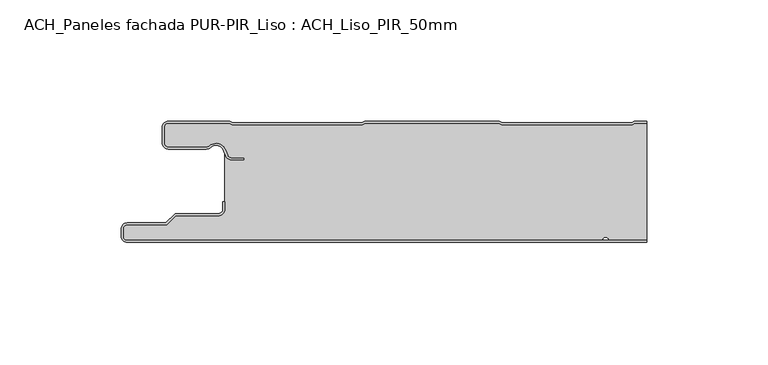
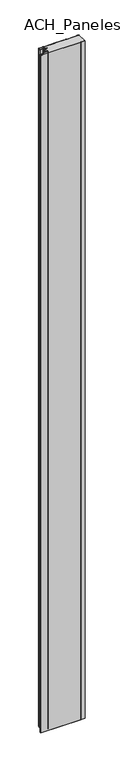
"""IFC4 building model written with IfcOpenShell, lengths in millimetres: plate geometry, ACH_Paneles fachada PUR-PIR_Liso : ACH_Liso_PIR_50mm."""

import ifcopenshell
import ifcopenshell.guid

model = None  # the IFC model being written
_history = None  # IfcOwnerHistory: only IFC2X3 demands one
_inside = {}  # id of a spatial element -> (the spatial element, [elements in it])
_under = {}  # id of a project, library or spatial element -> (it, [spatial elements below it])
_declared = {}  # id of a project -> (the project, [libraries it declares])
_typed = {}  # id of a type object -> (the type object, [elements of that type])
_made_of = {}  # id of a material, layer set ... -> (it, [elements and type objects made of it])


def new_model(schema):
    """Start an empty IFC model of exactly this schema.

    Asked for "IFC4X3", IfcOpenShell would pick the latest addendum, in which some entities
    have other attributes; the version numbers below select the first issue.
    IFC2X3 requires an IfcOwnerHistory on every rooted entity: one is made here for all.
    """
    global model, _history
    if schema == "IFC4X3":
        model = ifcopenshell.file(schema_version=(4, 3, 0, 0))
    else:
        model = ifcopenshell.file(schema=schema)
    _inside.clear()
    _under.clear()
    _declared.clear()
    _typed.clear()
    _made_of.clear()
    _history = None
    if model.schema == "IFC2X3":
        org = make("IfcOrganization", Name="unknown")
        user = make(
            "IfcPersonAndOrganization",
            ThePerson=make("IfcPerson", FamilyName="unknown"),
            TheOrganization=org,
        )
        app = make(
            "IfcApplication",
            ApplicationDeveloper=org,
            Version="unknown",
            ApplicationFullName="unknown",
            ApplicationIdentifier="unknown",
        )
        _history = make(
            "IfcOwnerHistory",
            OwningUser=user,
            OwningApplication=app,
            ChangeAction="ADDED",
            CreationDate=0,
        )
    return model


def make(cls, **values):
    """One entity of the class cls with the attributes given. An attribute that is None is left unset."""
    return model.create_entity(
        cls, **{name: value for name, value in values.items() if value is not None}
    )


def rooted(cls, **values):
    """An entity with a GlobalId (a new one), such as an element, a storey or a relation."""
    return make(cls, GlobalId=ifcopenshell.guid.new(), OwnerHistory=_history, **values)


def si_unit(unit_type, name, prefix=None):
    """IfcSIUnit, for example si_unit("LENGTHUNIT", "METRE", prefix="MILLI")."""
    return make("IfcSIUnit", UnitType=unit_type, Prefix=prefix, Name=name)


def assignment(units):
    """IfcUnitAssignment: the units of a project."""
    return None if units is None else make("IfcUnitAssignment", Units=units)


def point(xyz):
    """IfcCartesianPoint."""
    return None if xyz is None else make("IfcCartesianPoint", Coordinates=xyz)


def direction(xyz):
    """IfcDirection."""
    return None if xyz is None else make("IfcDirection", DirectionRatios=xyz)


def frame(location, z_axis=None, x_axis=None):
    """IfcAxis2Placement3D, a coordinate frame: its origin and axes. An axis left out is left unset."""
    return make(
        "IfcAxis2Placement3D",
        Location=point(location),
        Axis=direction(z_axis),
        RefDirection=direction(x_axis),
    )


def frame_2d(location, x_axis=None):
    """IfcAxis2Placement2D, a coordinate frame in the plane: its origin and x axis."""
    return make(
        "IfcAxis2Placement2D", Location=point(location), RefDirection=direction(x_axis)
    )


def origin():
    """The frame at (0, 0, 0) with its axes left unset."""
    return frame((0.0, 0.0, 0.0))


def origin_with_axes():
    """The frame at (0, 0, 0) with the z axis (0, 0, 1) and the x axis (1, 0, 0) written out."""
    return frame((0.0, 0.0, 0.0), z_axis=(0.0, 0.0, 1.0), x_axis=(1.0, 0.0, 0.0))


def place(relative_to, where):
    """IfcLocalPlacement: puts the frame where relative to a parent placement (None: the world)."""
    return make(
        "IfcLocalPlacement", PlacementRelTo=relative_to, RelativePlacement=where
    )


def context(
    kind, dimensions, precision=None, world=None, true_north=None, identifier=None
):
    """IfcGeometricRepresentationContext, for example the 3D "Model" context."""
    return make(
        "IfcGeometricRepresentationContext",
        ContextIdentifier=identifier,
        ContextType=kind,
        CoordinateSpaceDimension=dimensions,
        Precision=precision,
        WorldCoordinateSystem=world,
        TrueNorth=true_north,
    )


def project(units=None, contexts=None):
    """IfcProject with its units and contexts."""
    return rooted(
        "IfcProject",
        Name="project",
        RepresentationContexts=contexts,
        UnitsInContext=assignment(units),
    )


def spatial(cls, under=None, at=None, **own):
    """A site, building, storey or space (cls), placed at a placement, below another one or the project."""
    s = rooted(cls, ObjectPlacement=at, **own)
    if under is not None:
        _under.setdefault(under.id(), (under, []))[1].append(s)
    return s


def polyline(points):
    """IfcPolyline through the points."""
    return make("IfcPolyline", Points=[point(p) for p in points])


def circle_curve(where, radius):
    """IfcCircle in the frame where."""
    return make("IfcCircle", Position=where, Radius=radius)


def trimmed(basis, trim1, trim2, sense, master):
    """IfcTrimmedCurve: the piece of a basis curve between two trims."""
    return make(
        "IfcTrimmedCurve",
        BasisCurve=basis,
        Trim1=trim1,
        Trim2=trim2,
        SenseAgreement=sense,
        MasterRepresentation=master,
    )


def segment(curve, same_sense, transition):
    """IfcCompositeCurveSegment."""
    return make(
        "IfcCompositeCurveSegment",
        Transition=transition,
        SameSense=same_sense,
        ParentCurve=curve,
    )


def composite_curve(segments, self_intersect=None):
    """IfcCompositeCurve: segments joined end to end."""
    return make("IfcCompositeCurve", Segments=segments, SelfIntersect=self_intersect)


def outline(outer, holes=None, kind="AREA"):
    """IfcArbitraryClosedProfileDef: a profile drawn as a closed curve; with holes, ...WithVoids."""
    if holes is None:
        return make("IfcArbitraryClosedProfileDef", ProfileType=kind, OuterCurve=outer)
    return make(
        "IfcArbitraryProfileDefWithVoids",
        ProfileType=kind,
        OuterCurve=outer,
        InnerCurves=holes,
    )


def extrude(swept, where, along, depth):
    """IfcExtrudedAreaSolid: the profile swept, set in the frame where, extruded along a direction by depth."""
    return make(
        "IfcExtrudedAreaSolid",
        SweptArea=swept,
        Position=where,
        ExtrudedDirection=direction(along),
        Depth=depth,
    )


def shape(context_of_items, identifier, shape_type, items):
    """IfcShapeRepresentation: the items that make up one representation, for example the "Body"."""
    return make(
        "IfcShapeRepresentation",
        ContextOfItems=context_of_items,
        RepresentationIdentifier=identifier,
        RepresentationType=shape_type,
        Items=items,
    )


def source(mapping_origin, context_of_items, identifier, shape_type, items):
    """IfcRepresentationMap: a shape defined once, which mapped items show again and again."""
    return make(
        "IfcRepresentationMap",
        MappingOrigin=mapping_origin,
        MappedRepresentation=shape(context_of_items, identifier, shape_type, items),
    )


def transform(
    local_origin,
    x_axis=None,
    y_axis=None,
    z_axis=None,
    scale=None,
    scale2=None,
    scale3=None,
    uniform=True,
):
    """IfcCartesianTransformationOperator3D, or its non-uniform kind. x_axis, y_axis, z_axis: its Axis1, 2, 3."""
    if uniform:
        return make(
            "IfcCartesianTransformationOperator3D",
            Axis1=direction(x_axis),
            Axis2=direction(y_axis),
            LocalOrigin=point(local_origin),
            Scale=scale,
            Axis3=direction(z_axis),
        )
    return make(
        "IfcCartesianTransformationOperator3DnonUniform",
        Axis1=direction(x_axis),
        Axis2=direction(y_axis),
        LocalOrigin=point(local_origin),
        Scale=scale,
        Axis3=direction(z_axis),
        Scale2=scale2,
        Scale3=scale3,
    )


def mapped(mapping_source, mapping_target):
    """IfcMappedItem: shows the shape of a source again, moved by a transform."""
    return make(
        "IfcMappedItem", MappingSource=mapping_source, MappingTarget=mapping_target
    )


def made_of(thing, what):
    """Note that an element or type object is made of a material, layer set ...; save() writes the relation."""
    if what is not None:
        _made_of.setdefault(what.id(), (what, []))[1].append(thing)
    return thing


def element(
    cls,
    number,
    at=None,
    inside=None,
    cuts=None,
    type_object=None,
    material=None,
    context=None,
    identifier="Body",
    shape_type=None,
    held_by="IfcProductDefinitionShape",
    body=None,
    shapes=None,
    **own,
):
    """One element of the class cls, such as IfcWall. Its Tag is "e" and its number.

    at: its placement. inside: the storey or other place that contains it. cuts: it is an
    opening in that element (IfcRelVoidsElement). A single representation is given by context,
    identifier, shape_type and body (its items); several are given by shapes. held_by: the class
    of the entity that holds the representations. save() writes the other relations.
    """
    e = rooted(cls, Tag="e%d" % number, ObjectPlacement=at, **own)
    if body is not None:
        shapes = [shape(context, identifier, shape_type, body)]
    if shapes is not None:
        e.Representation = make(held_by, Representations=shapes)
    if inside is not None:
        _inside.setdefault(inside.id(), (inside, []))[1].append(e)
    if cuts is not None:
        rooted(
            "IfcRelVoidsElement", RelatingBuildingElement=cuts, RelatedOpeningElement=e
        )
    if type_object is not None:
        _typed.setdefault(type_object.id(), (type_object, []))[1].append(e)
    return made_of(e, material)


def aggregate(whole, parts):
    """IfcRelAggregates: a whole, such as a stair, and the parts it consists of."""
    return rooted("IfcRelAggregates", RelatingObject=whole, RelatedObjects=parts)


def save(model, path):
    """Write the relations noted so far, then the file.

    IfcRelAggregates (storeys below a building ...), IfcRelContainedInSpatialStructure (elements
    in a storey), IfcRelDefinesByType, IfcRelAssociatesMaterial and IfcRelDeclares: one each for
    every whole, place, type object, material and project.
    """
    for whole, parts in _under.values():
        aggregate(whole, parts)
    for where, things in _inside.values():
        rooted(
            "IfcRelContainedInSpatialStructure",
            RelatedElements=things,
            RelatingStructure=where,
        )
    for kind, things in _typed.values():
        rooted("IfcRelDefinesByType", RelatedObjects=things, RelatingType=kind)
    for what, things in _made_of.values():
        rooted("IfcRelAssociatesMaterial", RelatedObjects=things, RelatingMaterial=what)
    for by, libraries in _declared.values():
        rooted("IfcRelDeclares", RelatingContext=by, RelatedDefinitions=libraries)
    model.write(path)


def ach_paneles_fachada_pur_pir_liso_ach_liso_pir_50mm_6371c18e(model_context):
    return source(origin(), model_context, "Body", "SweptSolid", [
        extrude(outline(composite_curve([segment(trimmed(circle_curve(frame_2d((-114.5, -47.5)), 2.5), [point((-114.5, -50.0))], [point((-117.0, -47.5))], False, "CARTESIAN"), True, "CONTINUOUS"), segment(polyline([(-117.0, -47.5), (-117.0, -44.5)]), True, "CONTINUOUS"), segment(trimmed(circle_curve(frame_2d((-114.5, -44.5)), 2.5), [point((-117.0, -44.5))], [point((-114.5, -42.0))], False, "CARTESIAN"), True, "CONTINUOUS"), segment(polyline([(-114.5, -42.0), (-98.5, -42.0), (-94.75, -38.25), (-77.0, -38.25)]), True, "CONTINUOUS"), segment(trimmed(circle_curve(frame_2d((-77.0, -36.25)), 2.0), [point((-77.0, -38.25))], [point((-75.0, -36.25))], True, "CARTESIAN"), True, "CONTINUOUS"), segment(polyline([(-75.0, -36.25), (-75.0, -33.25), (-74.2, -33.25), (-74.2, -36.25)]), True, "CONTINUOUS"), segment(trimmed(circle_curve(frame_2d((-77.0, -36.25)), 2.8), [point((-74.2, -36.25))], [point((-77.0, -39.05))], False, "CARTESIAN"), True, "CONTINUOUS"), segment(polyline([(-77.0, -39.05), (-94.4186292, -39.05), (-98.1686292, -42.8), (-114.5, -42.8)]), True, "CONTINUOUS"), segment(trimmed(circle_curve(frame_2d((-114.5, -44.5)), 1.7), [point((-114.5, -42.8))], [point((-116.2, -44.5))], True, "CARTESIAN"), True, "CONTINUOUS"), segment(polyline([(-116.2, -44.5), (-116.2, -47.5)]), True, "CONTINUOUS"), segment(trimmed(circle_curve(frame_2d((-114.5, -47.5)), 1.7), [point((-116.2, -47.5))], [point((-114.5, -49.2))], True, "CARTESIAN"), True, "CONTINUOUS"), segment(polyline([(-114.5, -49.2), (100.0, -49.2), (100.0, -50.0), (-114.5, -50.0)]), True, "CONTINUOUS")], self_intersect=False)), origin_with_axes(), (0.0, 0.0, 1.0), 3500.0),
        extrude(outline(composite_curve([segment(trimmed(circle_curve(frame_2d((-97.49499, -9.0180361)), 2.50501), [point((-97.49499, -11.5230461))], [point((-100.0, -9.0180361))], False, "CARTESIAN"), True, "CONTINUOUS"), segment(polyline([(-100.0, -9.0180361), (-100.0, -2.50501)]), True, "CONTINUOUS"), segment(trimmed(circle_curve(frame_2d((-97.49499, -2.50501)), 2.50501), [point((-100.0, -2.50501))], [point((-97.49499, 0.0))], False, "CARTESIAN"), True, "CONTINUOUS"), segment(polyline([(-97.49499, 0.0), (-72.2103007, 0.0), (-71.028188, -0.6012024), (-17.6391467, -0.6012024), (-16.457034, 0.0), (39.1223647, 0.0), (40.3044773, -0.6012024), (93.6935186, -0.6012024), (94.8756313, 0.0), (100.0, 0.0), (100.0, -0.8), (95.0673777, -0.8), (93.885265, -1.4012024), (40.112731, -1.4012024), (38.9306183, -0.8), (-16.2652876, -0.8), (-17.4474003, -1.4012024), (-71.2199344, -1.4012024), (-72.4020471, -0.8), (-97.49499, -0.8)]), True, "CONTINUOUS"), segment(trimmed(circle_curve(frame_2d((-97.49499, -2.50501)), 1.70501), [point((-97.49499, -0.8))], [point((-99.2, -2.50501))], True, "CARTESIAN"), True, "CONTINUOUS"), segment(polyline([(-99.2, -2.50501), (-99.2, -9.0180361)]), True, "CONTINUOUS"), segment(trimmed(circle_curve(frame_2d((-97.49499, -9.0180361)), 1.70501), [point((-99.2, -9.0180361))], [point((-97.49499, -10.7230461))], True, "CARTESIAN"), True, "CONTINUOUS"), segment(polyline([(-97.49499, -10.7230461), (-81.8173283, -10.7230461)]), True, "CONTINUOUS"), segment(trimmed(circle_curve(frame_2d((-81.8173283, -9.0180361)), 1.70501), [point((-81.8173283, -10.7230461))], [point((-80.6895701, -10.2967936))], True, "CARTESIAN"), True, "CONTINUOUS"), segment(trimmed(circle_curve(frame_2d((-77.8407481, -13.5270541)), 4.307014), [point((-80.6895701, -10.2967936))], [point((-73.7934788, -12.0539686))], False, "CARTESIAN"), True, "CONTINUOUS"), segment(polyline([(-73.7934788, -12.0539686), (-73.0450711, -14.1102019)]), True, "CONTINUOUS"), segment(trimmed(circle_curve(frame_2d((-71.4428858, -13.5270541)), 1.70501), [point((-73.0450711, -14.1102019))], [point((-71.4428858, -15.2320641))], True, "CARTESIAN"), True, "CONTINUOUS"), segment(polyline([(-71.4428858, -15.2320641), (-66.4328657, -15.2320641), (-66.4328657, -16.0320641), (-71.4428858, -16.0320641)]), True, "CONTINUOUS"), segment(trimmed(circle_curve(frame_2d((-71.4428858, -13.5270541)), 2.50501), [point((-71.4428858, -16.0320641))], [point((-73.7968252, -14.383818))], False, "CARTESIAN"), True, "CONTINUOUS"), segment(polyline([(-73.7968252, -14.383818), (-74.5452329, -12.3275847)]), True, "CONTINUOUS"), segment(trimmed(circle_curve(frame_2d((-77.8407481, -13.5270541)), 3.507014), [point((-74.5452329, -12.3275847))], [point((-80.1604199, -10.8967936))], True, "CARTESIAN"), True, "CONTINUOUS"), segment(trimmed(circle_curve(frame_2d((-81.8173283, -9.0180361)), 2.50501), [point((-80.1604199, -10.8967936))], [point((-81.8173283, -11.5230461))], False, "CARTESIAN"), True, "CONTINUOUS"), segment(polyline([(-81.8173283, -11.5230461), (-97.49499, -11.5230461)]), True, "CONTINUOUS")], self_intersect=False)), origin_with_axes(), (0.0, 0.0, 1.0), 3500.0),
        extrude(outline(composite_curve([segment(trimmed(circle_curve(frame_2d((85.5, -47.5)), 1.7), [point((85.5, -49.2))], [point((84.0845596, -48.4415563))], False, "CARTESIAN"), True, "CONTINUOUS"), segment(trimmed(circle_curve(frame_2d((83.0, -49.1630095)), 1.302599), [point((84.0845596, -48.4415563))], [point((81.9154404, -48.4415563))], True, "CARTESIAN"), True, "CONTINUOUS"), segment(trimmed(circle_curve(frame_2d((80.5, -47.5)), 1.7), [point((81.9154404, -48.4415563))], [point((80.5, -49.2))], False, "CARTESIAN"), True, "CONTINUOUS"), segment(polyline([(80.5, -49.2), (-114.5, -49.2)]), True, "CONTINUOUS"), segment(trimmed(circle_curve(frame_2d((-114.5, -47.5)), 1.7), [point((-114.5, -49.2))], [point((-116.2, -47.5))], False, "CARTESIAN"), True, "CONTINUOUS"), segment(polyline([(-116.2, -47.5), (-116.2, -44.5)]), True, "CONTINUOUS"), segment(trimmed(circle_curve(frame_2d((-114.5, -44.5)), 1.7), [point((-116.2, -44.5))], [point((-114.5, -42.8))], False, "CARTESIAN"), True, "CONTINUOUS"), segment(polyline([(-114.5, -42.8), (-98.1686292, -42.8), (-94.4186292, -39.05), (-77.0, -39.05)]), True, "CONTINUOUS"), segment(trimmed(circle_curve(frame_2d((-77.0, -36.25)), 2.8), [point((-77.0, -39.05))], [point((-74.2, -36.25))], True, "CARTESIAN"), True, "CONTINUOUS"), segment(polyline([(-74.2, -36.25), (-74.2, -11.2258973)]), True, "CONTINUOUS"), segment(trimmed(circle_curve(frame_2d((-77.8407481, -13.5270541)), 4.307014), [point((-74.2, -11.2258973))], [point((-80.6895701, -10.2967936))], True, "CARTESIAN"), True, "CONTINUOUS"), segment(trimmed(circle_curve(frame_2d((-81.8173283, -9.0180361)), 1.70501), [point((-80.6895701, -10.2967936))], [point((-81.8173283, -10.7230461))], False, "CARTESIAN"), True, "CONTINUOUS"), segment(polyline([(-81.8173283, -10.7230461), (-97.49499, -10.7230461)]), True, "CONTINUOUS"), segment(trimmed(circle_curve(frame_2d((-97.49499, -9.0180361)), 1.70501), [point((-97.49499, -10.7230461))], [point((-99.2, -9.0180361))], False, "CARTESIAN"), True, "CONTINUOUS"), segment(polyline([(-99.2, -9.0180361), (-99.2, -2.50501)]), True, "CONTINUOUS"), segment(trimmed(circle_curve(frame_2d((-97.49499, -2.50501)), 1.70501), [point((-99.2, -2.50501))], [point((-97.49499, -0.8))], False, "CARTESIAN"), True, "CONTINUOUS"), segment(polyline([(-97.49499, -0.8), (-72.4020471, -0.8), (-71.2199344, -1.4012024), (-17.4474003, -1.4012024), (-16.2652876, -0.8), (38.9306183, -0.8), (40.112731, -1.4012024), (93.885265, -1.4012024), (95.0673777, -0.8), (100.0, -0.8), (100.0, -49.2), (85.5, -49.2)]), True, "CONTINUOUS")], self_intersect=False)), origin_with_axes(), (0.0, 0.0, 1.0), 3500.0),
    ])


if __name__ == "__main__":
    model = new_model("IFC4")
    model_context = context("Model", 3, world=origin())
    ifc_project = project(units=[si_unit("LENGTHUNIT", "METRE", prefix="MILLI")], contexts=[model_context])
    site = spatial("IfcSite", under=ifc_project)
    building = spatial("IfcBuilding", under=site)
    placement = place(None, origin())
    ach_paneles_fachada_pur_pir_liso_ach_liso_pir_50mm_shape = ach_paneles_fachada_pur_pir_liso_ach_liso_pir_50mm_6371c18e(model_context)
    element("IfcPlate", 1, ObjectType="ACH_Paneles fachada PUR-PIR_Liso : ACH_Liso_PIR_50mm", at=placement, inside=building, context=model_context, shape_type="MappedRepresentation", body=[
        mapped(ach_paneles_fachada_pur_pir_liso_ach_liso_pir_50mm_shape, transform((0.0, 0.0, 0.0), x_axis=(1.0, 0.0, 0.0), y_axis=(0.0, 1.0, 0.0), z_axis=(0.0, 0.0, 1.0))),
    ])
    save(model, "model.ifc")
